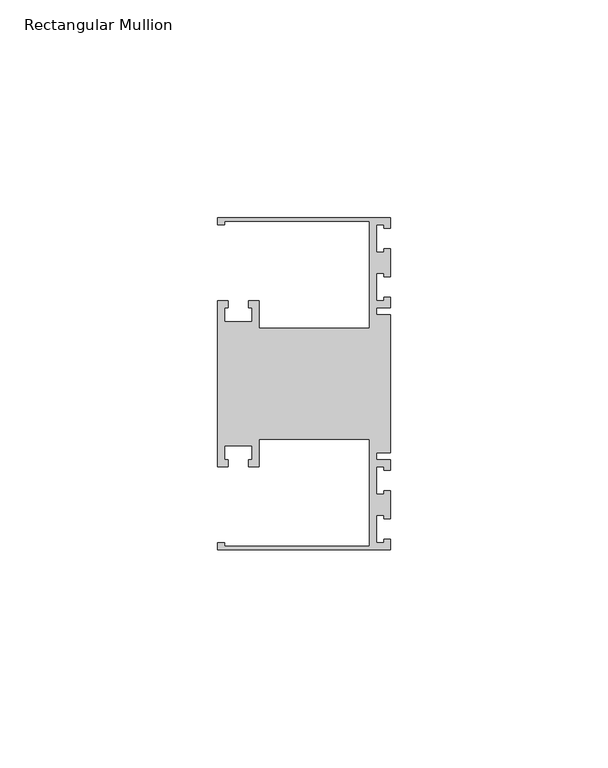
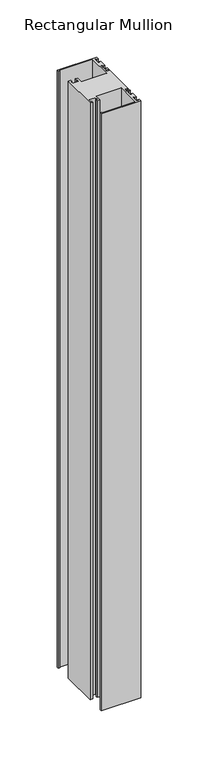
"""IFC4 building model written with IfcOpenShell, lengths in millimetres: member geometry, Rectangular Mullion."""

from ifc_helpers import new_model, si_unit, frame, origin, place, context, project, spatial, polyline, outline, extrude, source, transform, mapped, element, save


def rectangular_mullion_992add7f(model_context):
    return source(origin(), model_context, "Body", "SweptSolid", [
        extrude(outline(polyline([(0.0, 38.1), (0.0, 35.71875), (-1.4999946, 35.71875), (-1.4999946, 36.5125), (-3.175, 36.5125), (-3.175, 30.1625), (-1.4999946, 30.1625), (-1.4999946, 30.95625), (0.0, 30.95625), (0.0, 24.60625), (-1.4999946, 24.60625), (-1.4999946, 25.4), (-3.175, 25.4), (-3.175, 19.05), (-1.4999946, 19.05), (-1.4999946, 19.84375), (0.0, 19.84375), (0.0, 17.4625), (-3.175, 17.4625), (-3.175, 15.875), (0.0, 15.875), (0.0, -15.875), (-3.175, -15.875), (-3.175, -17.4625), (0.0, -17.4625), (0.0, -19.84375), (-1.4999946, -19.84375), (-1.4999946, -19.05), (-3.175, -19.05), (-3.175, -25.4), (-1.4999946, -25.4), (-1.4999946, -24.60625), (0.0, -24.60625), (0.0, -30.95625), (-1.4999946, -30.95625), (-1.4999946, -30.1625), (-3.175, -30.1625), (-3.175, -36.5125), (-1.4999946, -36.5125), (-1.4999946, -35.71875), (0.0, -35.71875), (0.0, -38.1), (-39.6875, -38.1), (-39.6875, -36.5125), (-38.1, -36.5125), (-38.1, -37.30625), (-4.8585733, -37.30625), (-4.8585733, -12.6999969), (-30.1625, -12.6999969), (-30.1625, -19.05), (-32.54375, -19.05), (-32.54375, -17.4625), (-31.75, -17.4625), (-31.75, -14.2875), (-38.1, -14.2875), (-38.1, -17.4625), (-37.30625, -17.4625), (-37.30625, -19.05), (-39.6875, -19.05), (-39.6875, 19.05), (-37.30625, 19.05), (-37.30625, 17.4625), (-38.1, 17.4625), (-38.1, 14.2875), (-31.75, 14.2875), (-31.75, 17.4625), (-32.54375, 17.4625), (-32.54375, 19.05), (-30.1625, 19.05), (-30.1625, 12.6999969), (-4.8585733, 12.6999969), (-4.8585733, 37.30625), (-38.1, 37.30625), (-38.1, 36.5125), (-39.6875, 36.5125), (-39.6875, 38.1), (0.0, 38.1)])), frame((0.0, 0.0, -635.0), z_axis=(0.0, 0.0, 1.0), x_axis=(1.0, 0.0, 0.0)), (0.0, 0.0, 1.0), 635.0),
    ])


if __name__ == "__main__":
    model = new_model("IFC4")
    model_context = context("Model", 3, world=origin())
    ifc_project = project(units=[si_unit("LENGTHUNIT", "METRE", prefix="MILLI")], contexts=[model_context])
    site = spatial("IfcSite", under=ifc_project)
    building = spatial("IfcBuilding", under=site)
    placement = place(None, origin())
    rectangular_mullion_shape = rectangular_mullion_992add7f(model_context)
    element("IfcMember", 1, ObjectType="Rectangular Mullion", at=placement, inside=building, context=model_context, shape_type="MappedRepresentation", body=[
        mapped(rectangular_mullion_shape, transform((0.0, 0.0, 0.0), x_axis=(1.0, 0.0, 0.0), y_axis=(0.0, 1.0, 0.0), z_axis=(0.0, 0.0, 1.0))),
    ])
    save(model, "model.ifc")
